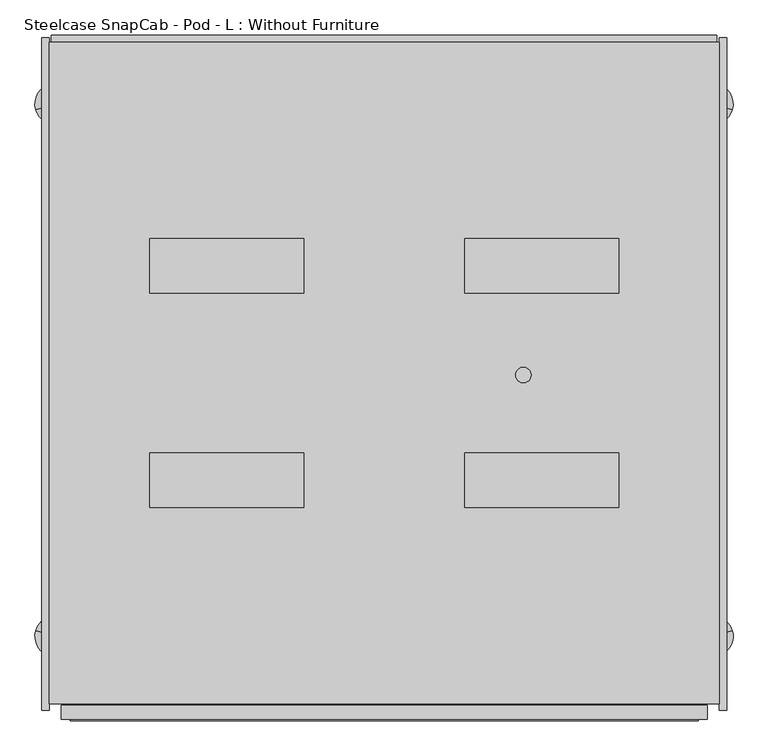
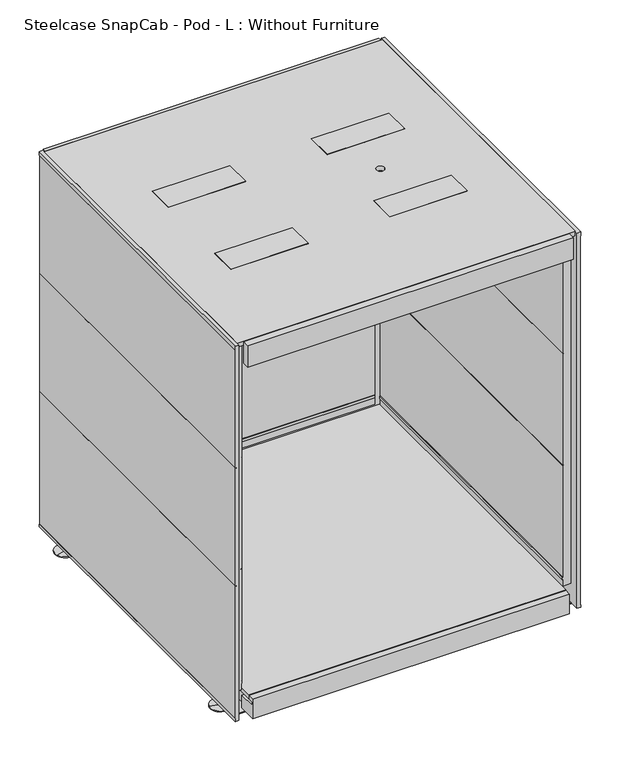
"""IFC4 building model written with IfcOpenShell, lengths in millimetres: furniture geometry, Steelcase SnapCab - Pod - L : Without Furniture."""

from ifc_helpers import new_model, si_unit, point, frame, frame_2d, origin, place, context, project, spatial, polyline, circle_curve, trimmed, segment, composite_curve, outline, extrude, faceted_brep, source, transform, mapped, element, save
from ifc_brep_helpers import plane_surface, cylinder_surface, advanced_brep


def steelcase_snapcab_pod_l_without_furniture_59e9726f(model_context):
    return source(origin(), model_context, "Body", "SolidModel", [
        advanced_brep(
        [(-700.0382392, -611.8219575, 4.7625), (-712.2462628, -615.3225519, 4.7625), (-712.2462628, -615.3225519, 34.29), (-700.0382392, -611.8219575, 34.29), (-651.2061451, -597.8195798, 4.7625), (-761.0783569, -629.3249295, 4.7625), (-651.2061451, -597.8195798, 0.0), (-761.0783569, -629.3249295, 0.0), (-706.142251, -613.5722547, 0.0), (-693.1934121, -609.8592349, 40.64), (-719.0910899, -617.2852745, 40.64), (-706.142251, -613.5722547, 40.64), (-693.1934121, -609.8592349, 34.29), (-719.0910899, -617.2852745, 34.29)],
        [
            (0, 1, circle_curve(frame((-706.142251, -613.5722547, 4.7625), z_axis=(0.0, 0.0, 1.0), x_axis=(-0.9612616959383218, -0.2756373558169893, 0.0)), 6.35)),
            (1, 2),
            (2, 3, circle_curve(frame((-706.142251, -613.5722547, 34.29), z_axis=(0.0, 0.0, -1.0), x_axis=(-0.9612616959383218, -0.2756373558169893, 0.0)), 6.35)),
            (3, 0),
            (1, 0, circle_curve(frame((-706.142251, -613.5722547, 4.7625), z_axis=(0.0, 0.0, 1.0), x_axis=(-0.9612616959383218, -0.2756373558169893, 0.0)), 6.35)),
            (3, 2, circle_curve(frame((-706.142251, -613.5722547, 34.29), z_axis=(0.0, 0.0, -1.0), x_axis=(-0.9612616959383218, -0.2756373558169893, 0.0)), 6.35)),
            (4, 5, circle_curve(frame((-706.142251, -613.5722547, 4.7625), z_axis=(0.0, 0.0, 1.0), x_axis=(-0.9612616959383218, -0.2756373558169893, 0.0)), 57.15)),
            (5, 1),
            (0, 4),
            (5, 4, circle_curve(frame((-706.142251, -613.5722547, 4.7625), z_axis=(0.0, 0.0, 1.0), x_axis=(-0.9612616959383218, -0.2756373558169893, 0.0)), 57.15)),
            (6, 7, circle_curve(frame((-706.142251, -613.5722547, 0.0), z_axis=(0.0, 0.0, 1.0), x_axis=(-0.9612616959383218, -0.2756373558169893, 0.0)), 57.15)),
            (7, 5),
            (4, 6),
            (7, 6, circle_curve(frame((-706.142251, -613.5722547, 0.0), z_axis=(0.0, 0.0, 1.0), x_axis=(-0.9612616959383218, -0.2756373558169893, 0.0)), 57.15)),
            (8, 7),
            (6, 8),
            (9, 10, circle_curve(frame((-706.142251, -613.5722547, 40.64), z_axis=(0.0, 0.0, 1.0), x_axis=(-0.9612616959383218, -0.2756373558169893, 0.0)), 13.4706698)),
            (10, 11),
            (11, 9),
            (10, 9, circle_curve(frame((-706.142251, -613.5722547, 40.64), z_axis=(0.0, 0.0, 1.0), x_axis=(-0.9612616959383218, -0.2756373558169893, 0.0)), 13.4706698)),
            (12, 13, circle_curve(frame((-706.142251, -613.5722547, 34.29), z_axis=(0.0, 0.0, 1.0), x_axis=(-0.9612616959383218, -0.2756373558169893, 0.0)), 13.4706698)),
            (13, 10),
            (9, 12),
            (13, 12, circle_curve(frame((-706.142251, -613.5722547, 34.29), z_axis=(0.0, 0.0, 1.0), x_axis=(-0.9612616959383218, -0.2756373558169893, 0.0)), 13.4706698)),
            (2, 13),
            (12, 3),
        ],
        [
            cylinder_surface(frame((-706.142251, -613.5722547, 40.64), z_axis=(0.0, 0.0, -1.0), x_axis=(-0.9612616959383218, -0.2756373558169893, 0.0)), 6.35),
            plane_surface(frame((-706.142251, -613.5722547, 4.7625), z_axis=(0.0, 0.0, 1.0000000000000002), x_axis=(-0.9612616959383218, -0.2756373558169893, 0.0))),
            cylinder_surface(frame((-706.142251, -613.5722547, 40.64), z_axis=(0.0, 0.0, -1.0), x_axis=(-0.9612616959383218, -0.2756373558169893, 0.0)), 57.15),
            plane_surface(frame((-706.142251, -613.5722547, 0.0), z_axis=(0.0, 0.0, -1.0000000000000002), x_axis=(-0.9612616959383218, -0.2756373558169893, 0.0))),
            plane_surface(frame((-706.142251, -613.5722547, 40.64), z_axis=(0.0, 0.0, 1.0000000000000002), x_axis=(-0.9612616959383218, -0.2756373558169893, 0.0))),
            cylinder_surface(frame((-706.142251, -613.5722547, 40.64), z_axis=(0.0, 0.0, -1.0), x_axis=(-0.9612616959383218, -0.2756373558169893, 0.0)), 13.4706698),
            plane_surface(frame((-706.142251, -613.5722547, 34.29), z_axis=(0.0, 0.0, -1.0000000000000002), x_axis=(-0.9612616959383218, -0.2756373558169893, 0.0))),
        ],
        [
            (0, [[1, 2, 3, 4]]),
            (0, [[5, -4, 6, -2]]),
            (1, [[7, 8, -1, 9]]),
            (1, [[10, -9, -5, -8]]),
            (2, [[11, 12, -7, 13]]),
            (2, [[14, -13, -10, -12]]),
            (3, [[15, -11, 16]]),
            (3, [[-16, -14, -15]]),
            (4, [[17, 18, 19]]),
            (4, [[20, -19, -18]]),
            (5, [[21, 22, -17, 23]]),
            (5, [[24, -23, -20, -22]]),
            (6, [[-3, 25, -21, 26]]),
            (6, [[-6, -26, -24, -25]]),
        ],
    ),
        extrude(outline(composite_curve([segment(trimmed(circle_curve(frame_2d((0.0, -50.7999999)), 50.8), [point((0.0, -101.6))], [point((0.0, 0.0))], False, "CARTESIAN"), True, "CONTINUOUS"), segment(trimmed(circle_curve(frame_2d((0.0, -50.7999999)), 50.8), [point((0.0, 0.0))], [point((0.0, -101.6))], False, "CARTESIAN"), True, "CONTINUOUS")], self_intersect=False)), frame((-522.3579472, -646.8925767, 50.5383466), z_axis=(-0.2756373558169893, 0.9612616959383218, 0.0), x_axis=(0.0, 0.0, 1.0)), (0.0, 0.0, 1.0), 48.5596563),
        extrude(outline(polyline([(-488.8953858, -644.2947727), (-571.1545852, -667.8822185), (-587.5864387, -610.5775352), (-505.3272394, -586.9900893), (-488.8953858, -644.2947727)])), frame((0.0, 0.0, 120.7725381), z_axis=(0.0, 0.0, 1.0), x_axis=(1.0, 0.0, 0.0)), (0.0, 0.0, 1.0), 14.3237119),
        extrude(outline(composite_curve([segment(polyline([(0.0, 0.0), (0.0, -15.2817497), (61.0726629, 15.7344817)]), True, "CONTINUOUS"), segment(trimmed(circle_curve(frame_2d((70.1269542, -2.0939149)), 19.9957975), [point((61.0726629, 15.7344817))], [point((86.5065526, -13.5630332))], False, "CARTESIAN"), True, "CONTINUOUS"), segment(polyline([(86.5065526, -13.5630332), (70.2341915, -36.8023732), (0.0, -70.9680965), (0.0, -85.5741986), (-14.3237119, -85.5741986), (-14.3237119, 0.0), (0.0, 0.0)]), True, "CONTINUOUS")], self_intersect=False)), frame((-587.5864387, -610.5775352, 120.7725381), z_axis=(-0.2756373558169833, 0.9612616959383234, 0.0), x_axis=(0.0, 0.0, -1.0)), (0.0, 0.0, 1.0), 7.5501565),
        extrude(outline(composite_curve([segment(polyline([(-15.2817497, 0.0), (0.0, 0.0), (-31.0162314, 61.0726629)]), True, "CONTINUOUS"), segment(trimmed(circle_curve(frame_2d((-13.1878348, 70.1269542)), 19.9957975), [point((-31.0162314, 61.0726629))], [point((-1.7187164, 86.5065526))], False, "CARTESIAN"), True, "CONTINUOUS"), segment(polyline([(-1.7187164, 86.5065526), (21.5206236, 70.2341915), (55.6863468, 0.0), (70.292449, 0.0), (70.292449, -14.3237119), (-15.2817497, -14.3237119), (-15.2817497, 0.0)]), True, "CONTINUOUS")], self_intersect=False)), frame((-554.3837194, -670.9276737, 120.7725381), z_axis=(-0.2756373558169892, 0.9612616959383218, 0.0), x_axis=(0.9612616959383218, 0.2756373558169892, 0.0)), (0.0, 0.0, 1.0), 7.5501565),
        extrude(outline(polyline([(-545.4237951, -552.2672111), (-464.1325226, -633.5584836), (-532.9854557, -702.4114168), (-614.2767282, -621.1201442), (-545.4237951, -552.2672111)])), frame((0.0, 0.0, 135.09625), z_axis=(0.0, 0.0, 1.0), x_axis=(1.0, 0.0, 0.0)), (0.0, 0.0, 1.0), 6.35),
        advanced_brep(
        [(1162.1625306, -611.8219575, 34.29), (1174.3705541, -615.3225519, 34.29), (1174.3705541, -615.3225519, 4.7625), (1162.1625306, -611.8219575, 4.7625), (1223.2026483, -629.3249295, 4.7625), (1113.3304364, -597.8195798, 4.7625), (1223.2026483, -629.3249295, 0.0), (1113.3304364, -597.8195798, 0.0), (1168.2665424, -613.5722547, 0.0), (1168.2665424, -613.5722547, 40.64), (1181.2153812, -617.2852745, 40.64), (1155.3177035, -609.8592349, 40.64), (1181.2153812, -617.2852745, 34.29), (1155.3177035, -609.8592349, 34.29)],
        [
            (0, 1, circle_curve(frame((1168.2665424, -613.5722547, 34.29), z_axis=(0.0, 0.0, -1.0), x_axis=(0.9612616959383162, -0.2756373558170087, 0.0)), 6.35)),
            (1, 2),
            (2, 3, circle_curve(frame((1168.2665424, -613.5722547, 4.7625), z_axis=(0.0, 0.0, 1.0), x_axis=(0.9612616959383162, -0.2756373558170087, 0.0)), 6.35)),
            (3, 0),
            (1, 0, circle_curve(frame((1168.2665424, -613.5722547, 34.29), z_axis=(0.0, 0.0, -1.0), x_axis=(0.9612616959383162, -0.2756373558170087, 0.0)), 6.35)),
            (3, 2, circle_curve(frame((1168.2665424, -613.5722547, 4.7625), z_axis=(0.0, 0.0, 1.0), x_axis=(0.9612616959383162, -0.2756373558170087, 0.0)), 6.35)),
            (2, 4),
            (4, 5, circle_curve(frame((1168.2665424, -613.5722547, 4.7625), z_axis=(0.0, 0.0, 1.0), x_axis=(0.9612616959383162, -0.2756373558170087, 0.0)), 57.15)),
            (5, 3),
            (5, 4, circle_curve(frame((1168.2665424, -613.5722547, 4.7625), z_axis=(0.0, 0.0, 1.0), x_axis=(0.9612616959383162, -0.2756373558170087, 0.0)), 57.15)),
            (4, 6),
            (6, 7, circle_curve(frame((1168.2665424, -613.5722547, 0.0), z_axis=(0.0, 0.0, 1.0), x_axis=(0.9612616959383162, -0.2756373558170087, 0.0)), 57.15)),
            (7, 5),
            (7, 6, circle_curve(frame((1168.2665424, -613.5722547, 0.0), z_axis=(0.0, 0.0, 1.0), x_axis=(0.9612616959383162, -0.2756373558170087, 0.0)), 57.15)),
            (6, 8),
            (8, 7),
            (9, 10),
            (10, 11, circle_curve(frame((1168.2665424, -613.5722547, 40.64), z_axis=(0.0, 0.0, 1.0), x_axis=(0.9612616959383162, -0.2756373558170087, 0.0)), 13.4706698)),
            (11, 9),
            (11, 10, circle_curve(frame((1168.2665424, -613.5722547, 40.64), z_axis=(0.0, 0.0, 1.0), x_axis=(0.9612616959383162, -0.2756373558170087, 0.0)), 13.4706698)),
            (10, 12),
            (12, 13, circle_curve(frame((1168.2665424, -613.5722547, 34.29), z_axis=(0.0, 0.0, 1.0), x_axis=(0.9612616959383162, -0.2756373558170087, 0.0)), 13.4706698)),
            (13, 11),
            (13, 12, circle_curve(frame((1168.2665424, -613.5722547, 34.29), z_axis=(0.0, 0.0, 1.0), x_axis=(0.9612616959383162, -0.2756373558170087, 0.0)), 13.4706698)),
            (12, 1),
            (0, 13),
        ],
        [
            cylinder_surface(frame((1168.2665424, -613.5722547, 40.64), z_axis=(0.0, 0.0, 1.0), x_axis=(0.9612616959383162, -0.2756373558170087, 0.0)), 6.35),
            plane_surface(frame((1168.2665424, -613.5722547, 4.7625), z_axis=(0.0, 0.0, 1.0000000000000002), x_axis=(0.9612616959383162, -0.2756373558170087, 0.0))),
            cylinder_surface(frame((1168.2665424, -613.5722547, 40.64), z_axis=(0.0, 0.0, 1.0), x_axis=(0.9612616959383162, -0.2756373558170087, 0.0)), 57.15),
            plane_surface(frame((1168.2665424, -613.5722547, 0.0), z_axis=(0.0, 0.0, -1.0000000000000002), x_axis=(0.9612616959383162, -0.2756373558170087, 0.0))),
            plane_surface(frame((1168.2665424, -613.5722547, 40.64), z_axis=(0.0, 0.0, 1.0000000000000002), x_axis=(0.9612616959383162, -0.2756373558170087, 0.0))),
            cylinder_surface(frame((1168.2665424, -613.5722547, 40.64), z_axis=(0.0, 0.0, 1.0), x_axis=(0.9612616959383162, -0.2756373558170087, 0.0)), 13.4706698),
            plane_surface(frame((1168.2665424, -613.5722547, 34.29), z_axis=(0.0, 0.0, -1.0000000000000002), x_axis=(0.9612616959383162, -0.2756373558170087, 0.0))),
        ],
        [
            (0, [[1, 2, 3, 4]]),
            (0, [[5, -4, 6, -2]]),
            (1, [[-3, 7, 8, 9]]),
            (1, [[-6, -9, 10, -7]]),
            (2, [[-8, 11, 12, 13]]),
            (2, [[-10, -13, 14, -11]]),
            (3, [[-12, 15, 16]]),
            (3, [[-14, -16, -15]]),
            (4, [[17, 18, 19]]),
            (4, [[-19, 20, -17]]),
            (5, [[-18, 21, 22, 23]]),
            (5, [[-20, -23, 24, -21]]),
            (6, [[-22, 25, -1, 26]]),
            (6, [[-24, -26, -5, -25]]),
        ],
    ),
        extrude(outline(composite_curve([segment(trimmed(circle_curve(frame_2d((0.0, -50.8)), 50.8), [point((0.0, -101.6000001))], [point((0.0, 0.0))], False, "CARTESIAN"), True, "CONTINUOUS"), segment(trimmed(circle_curve(frame_2d((0.0, -50.8)), 50.8), [point((0.0, 0.0))], [point((0.0, -101.6000001))], False, "CARTESIAN"), True, "CONTINUOUS")], self_intersect=False)), frame((984.4822385, -646.8925767, 50.5383466), z_axis=(0.27563735581700866, 0.9612616959383161, 0.0), x_axis=(0.0, 0.0, -1.0)), (0.0, 0.0, 1.0), 48.5596563),
        extrude(outline(polyline([(1033.2788766, -667.8822185), (951.0196772, -644.2947727), (967.4515307, -586.9900893), (1049.7107301, -610.5775352), (1033.2788766, -667.8822185)])), frame((0.0, 0.0, 120.7725381), z_axis=(0.0, 0.0, 1.0), x_axis=(1.0, 0.0, 0.0)), (0.0, 0.0, 1.0), 14.3237119),
        extrude(outline(composite_curve([segment(polyline([(15.2817497, 0.0), (15.2817497, -14.3237119), (-70.2924491, -14.3237119), (-70.2924491, 0.0), (-55.6863468, 0.0), (-21.5206237, 70.2341915), (1.7187165, 86.5065526)]), True, "CONTINUOUS"), segment(trimmed(circle_curve(frame_2d((13.1878348, 70.1269542)), 19.9957975), [point((1.7187165, 86.5065526))], [point((31.0162314, 61.0726629))], False, "CARTESIAN"), True, "CONTINUOUS"), segment(polyline([(31.0162314, 61.0726629), (0.0, 0.0), (15.2817497, 0.0)]), True, "CONTINUOUS")], self_intersect=False)), frame((1035.0209695, -606.3653141, 120.7725381), z_axis=(0.27563735581700277, 0.9612616959383179, 0.0), x_axis=(0.9612616959383179, -0.27563735581700277, 0.0)), (0.0, 0.0, 1.0), 7.5501565),
        extrude(outline(composite_curve([segment(polyline([(0.0, 0.0), (14.3237119, 0.0), (14.3237119, -85.5741987), (0.0, -85.5741987), (0.0, -70.9680965), (-70.2341915, -36.8023733), (-86.5065526, -13.5630332)]), True, "CONTINUOUS"), segment(trimmed(circle_curve(frame_2d((-70.1269542, -2.0939149)), 19.9957975), [point((-86.5065526, -13.5630332))], [point((-61.0726629, 15.7344817))], False, "CARTESIAN"), True, "CONTINUOUS"), segment(polyline([(-61.0726629, 15.7344817), (0.0, -15.2817497), (0.0, 0.0)]), True, "CONTINUOUS")], self_intersect=False)), frame((1031.1977714, -675.1398948, 120.7725381), z_axis=(0.2756373558170087, 0.9612616959383162, 0.0), x_axis=(0.0, 0.0, 1.0)), (0.0, 0.0, 1.0), 7.5501565),
        extrude(outline(polyline([(1007.5480865, -552.2672111), (1076.4010196, -621.1201442), (995.1097471, -702.4114168), (926.2568139, -633.5584836), (1007.5480865, -552.2672111)])), frame((0.0, 0.0, 135.09625), z_axis=(0.0, 0.0, 1.0), x_axis=(1.0, 0.0, 0.0)), (0.0, 0.0, 1.0), 6.35),
        advanced_brep(
        [(-700.0382392, -2132.0894853, 34.29), (-712.2462628, -2128.5888909, 34.29), (-712.2462628, -2128.5888909, 4.7625), (-700.0382392, -2132.0894853, 4.7625), (-761.0783569, -2114.5865132, 4.7625), (-651.2061451, -2146.091863, 4.7625), (-761.0783569, -2114.5865132, 0.0), (-651.2061451, -2146.091863, 0.0), (-706.142251, -2130.3391881, 0.0), (-706.142251, -2130.3391881, 40.64), (-719.0910899, -2126.6261683, 40.64), (-693.1934121, -2134.0522079, 40.64), (-719.0910899, -2126.6261683, 34.29), (-693.1934121, -2134.0522079, 34.29)],
        [
            (0, 1, circle_curve(frame((-706.142251, -2130.3391881, 34.29), z_axis=(0.0, 0.0, -1.0), x_axis=(-0.961261695938318, 0.27563735581700255, 0.0)), 6.35)),
            (1, 2),
            (2, 3, circle_curve(frame((-706.142251, -2130.3391881, 4.7625), z_axis=(0.0, 0.0, 1.0), x_axis=(-0.961261695938318, 0.27563735581700255, 0.0)), 6.35)),
            (3, 0),
            (1, 0, circle_curve(frame((-706.142251, -2130.3391881, 34.29), z_axis=(0.0, 0.0, -1.0), x_axis=(-0.961261695938318, 0.27563735581700255, 0.0)), 6.35)),
            (3, 2, circle_curve(frame((-706.142251, -2130.3391881, 4.7625), z_axis=(0.0, 0.0, 1.0), x_axis=(-0.961261695938318, 0.27563735581700255, 0.0)), 6.35)),
            (2, 4),
            (4, 5, circle_curve(frame((-706.142251, -2130.3391881, 4.7625), z_axis=(0.0, 0.0, 1.0), x_axis=(-0.961261695938318, 0.27563735581700255, 0.0)), 57.15)),
            (5, 3),
            (5, 4, circle_curve(frame((-706.142251, -2130.3391881, 4.7625), z_axis=(0.0, 0.0, 1.0), x_axis=(-0.961261695938318, 0.27563735581700255, 0.0)), 57.15)),
            (4, 6),
            (6, 7, circle_curve(frame((-706.142251, -2130.3391881, 0.0), z_axis=(0.0, 0.0, 1.0), x_axis=(-0.961261695938318, 0.27563735581700255, 0.0)), 57.15)),
            (7, 5),
            (7, 6, circle_curve(frame((-706.142251, -2130.3391881, 0.0), z_axis=(0.0, 0.0, 1.0), x_axis=(-0.961261695938318, 0.27563735581700255, 0.0)), 57.15)),
            (6, 8),
            (8, 7),
            (9, 10),
            (10, 11, circle_curve(frame((-706.142251, -2130.3391881, 40.64), z_axis=(0.0, 0.0, 1.0), x_axis=(-0.961261695938318, 0.27563735581700255, 0.0)), 13.4706698)),
            (11, 9),
            (11, 10, circle_curve(frame((-706.142251, -2130.3391881, 40.64), z_axis=(0.0, 0.0, 1.0), x_axis=(-0.961261695938318, 0.27563735581700255, 0.0)), 13.4706698)),
            (10, 12),
            (12, 13, circle_curve(frame((-706.142251, -2130.3391881, 34.29), z_axis=(0.0, 0.0, 1.0), x_axis=(-0.961261695938318, 0.27563735581700255, 0.0)), 13.4706698)),
            (13, 11),
            (13, 12, circle_curve(frame((-706.142251, -2130.3391881, 34.29), z_axis=(0.0, 0.0, 1.0), x_axis=(-0.961261695938318, 0.27563735581700255, 0.0)), 13.4706698)),
            (12, 1),
            (0, 13),
        ],
        [
            cylinder_surface(frame((-706.142251, -2130.3391881, 40.64), z_axis=(0.0, 0.0, 1.0), x_axis=(-0.961261695938318, 0.27563735581700255, 0.0)), 6.35),
            plane_surface(frame((-706.142251, -2130.3391881, 4.7625), z_axis=(0.0, 0.0, 1.0000000000000002), x_axis=(-0.961261695938318, 0.27563735581700255, 0.0))),
            cylinder_surface(frame((-706.142251, -2130.3391881, 40.64), z_axis=(0.0, 0.0, 1.0), x_axis=(-0.961261695938318, 0.27563735581700255, 0.0)), 57.15),
            plane_surface(frame((-706.142251, -2130.3391881, 0.0), z_axis=(0.0, 0.0, -1.0000000000000002), x_axis=(-0.961261695938318, 0.27563735581700255, 0.0))),
            plane_surface(frame((-706.142251, -2130.3391881, 40.64), z_axis=(0.0, 0.0, 1.0000000000000002), x_axis=(-0.961261695938318, 0.27563735581700255, 0.0))),
            cylinder_surface(frame((-706.142251, -2130.3391881, 40.64), z_axis=(0.0, 0.0, 1.0), x_axis=(-0.961261695938318, 0.27563735581700255, 0.0)), 13.4706698),
            plane_surface(frame((-706.142251, -2130.3391881, 34.29), z_axis=(0.0, 0.0, -1.0000000000000002), x_axis=(-0.961261695938318, 0.27563735581700255, 0.0))),
        ],
        [
            (0, [[1, 2, 3, 4]]),
            (0, [[5, -4, 6, -2]]),
            (1, [[-3, 7, 8, 9]]),
            (1, [[-6, -9, 10, -7]]),
            (2, [[-8, 11, 12, 13]]),
            (2, [[-10, -13, 14, -11]]),
            (3, [[-12, 15, 16]]),
            (3, [[-14, -16, -15]]),
            (4, [[17, 18, 19]]),
            (4, [[-19, 20, -17]]),
            (5, [[-18, 21, 22, 23]]),
            (5, [[-20, -23, 24, -21]]),
            (6, [[-22, 25, -1, 26]]),
            (6, [[-24, -26, -5, -25]]),
        ],
    ),
        extrude(outline(composite_curve([segment(trimmed(circle_curve(frame_2d((0.0, -50.8)), 50.8), [point((0.0, -101.6))], [point((0.0, 0.0))], False, "CARTESIAN"), True, "CONTINUOUS"), segment(trimmed(circle_curve(frame_2d((0.0, -50.8)), 50.8), [point((0.0, 0.0))], [point((0.0, -101.6))], False, "CARTESIAN"), True, "CONTINUOUS")], self_intersect=False)), frame((-535.7428024, -2143.6974036, 50.5383466), z_axis=(0.27563735581700255, 0.9612616959383179, 0.0), x_axis=(0.0, 0.0, 1.0)), (0.0, 0.0, 1.0), 48.5596563),
        extrude(outline(polyline([(-571.1545852, -2076.0292242), (-488.8953858, -2099.6166701), (-505.3272394, -2156.9213534), (-587.5864387, -2133.3339076), (-571.1545852, -2076.0292242)])), frame((0.0, 0.0, 120.7725381), z_axis=(0.0, 0.0, 1.0), x_axis=(1.0, 0.0, 0.0)), (0.0, 0.0, 1.0), 14.3237119),
        extrude(outline(composite_curve([segment(polyline([(-15.2817496, 0.0), (0.0, 0.0), (-31.0162314, 61.0726629)]), True, "CONTINUOUS"), segment(trimmed(circle_curve(frame_2d((-13.1878347, 70.1269542)), 19.9957975), [point((-31.0162314, 61.0726629))], [point((-1.7187164, 86.5065526))], False, "CARTESIAN"), True, "CONTINUOUS"), segment(polyline([(-1.7187164, 86.5065526), (21.5206237, 70.2341915), (55.6863468, 0.0), (70.2924491, 0.0), (70.2924491, -14.3237119), (-15.2817496, -14.3237119), (-15.2817496, 0.0)]), True, "CONTINUOUS")], self_intersect=False)), frame((-574.9777833, -2144.8038048, 120.7725381), z_axis=(0.27563735581699655, 0.9612616959383197, 0.0), x_axis=(0.9612616959383197, -0.27563735581699655, 0.0)), (0.0, 0.0, 1.0), 7.5501565),
        extrude(outline(composite_curve([segment(polyline([(0.0, 0.0), (0.0, -15.2817497), (61.0726629, 15.7344817)]), True, "CONTINUOUS"), segment(trimmed(circle_curve(frame_2d((70.1269542, -2.0939149)), 19.9957975), [point((61.0726629, 15.7344817))], [point((86.5065526, -13.5630332))], False, "CARTESIAN"), True, "CONTINUOUS"), segment(polyline([(86.5065526, -13.5630332), (70.2341915, -36.8023733), (0.0, -70.9680965), (0.0, -85.5741987), (-14.3237119, -85.5741987), (-14.3237119, 0.0), (0.0, 0.0)]), True, "CONTINUOUS")], self_intersect=False)), frame((-571.1545852, -2076.0292242, 120.7725381), z_axis=(0.27563735581700255, 0.961261695938318, 0.0), x_axis=(0.0, 0.0, -1.0)), (0.0, 0.0, 1.0), 7.5501565),
        extrude(outline(polyline([(-545.4237951, -2191.6442317), (-614.2767282, -2122.7912985), (-532.9854557, -2041.500026), (-464.1325226, -2110.3529591), (-545.4237951, -2191.6442317)])), frame((0.0, 0.0, 135.09625), z_axis=(0.0, 0.0, 1.0), x_axis=(1.0, 0.0, 0.0)), (0.0, 0.0, 1.0), 6.35),
        extrude(outline(polyline([(-418.7412617, 2257.90125), (-418.7412617, 1556.84855), (-422.0178617, 1556.84855), (-422.0178617, 1553.67355), (-418.7412617, 1553.67355), (-418.7412617, 852.62085), (-422.0178617, 852.62085), (-422.0178617, 849.44585), (-418.7412617, 849.44585), (-418.7412617, 62.04585), (-421.2050591, 62.04585), (-421.2050591, 58.83275), (-417.1664617, 58.83275), (-417.1664617, 43.688), (-438.1090336, 43.688), (-438.1090336, 2283.3645995), (-417.5220571, 2283.3645995), (-417.5220571, 2261.076251), (-420.6970581, 2261.076251), (-420.6970581, 2257.90125), (-418.7412617, 2257.90125)])), frame((-716.2042058, 0.0, 0.0), z_axis=(1.0, 0.0, 0.0), x_axis=(0.0, 1.0, 0.0)), (0.0, 0.0, 1.0), 1895.0887234),
        extrude(outline(polyline([(-488.3370236, 886.92025), (-488.3370236, 890.09525), (-491.5120236, 890.09525), (-491.5120236, 1553.67025), (-488.3370236, 1553.67025), (-488.3370236, 1556.84525), (-491.5120236, 1556.84525), (-491.5120236, 2257.90125), (-444.4466432, 2257.90125), (-444.4466432, 166.3810272), (-491.2580236, 166.3810272), (-491.2580236, 205.0255), (-493.2900236, 205.0255), (-493.2900236, 220.17025), (-489.5593986, 220.17025), (-489.5593986, 223.34525), (-491.5120236, 223.34525), (-491.5120236, 886.92025), (-488.3370236, 886.92025)])), frame((-649.1482058, 0.0, 0.0), z_axis=(1.0, 0.0, 0.0), x_axis=(0.0, 1.0, 0.0)), (0.0, 0.0, 1.0), 1761.998),
        extrude(outline(polyline([(2257.90125, 1205.3824703), (2257.90125, 1203.4266739), (2261.076251, 1203.4266739), (2261.076251, 1206.6016749), (2283.3645995, 1206.6016749), (2283.3645995, 1186.0146983), (43.688, 1186.0146983), (43.688, 1206.9572703), (58.83275, 1206.9572703), (58.83275, 1202.9186728), (62.04585, 1202.9186728), (62.04585, 1205.3824703), (849.44585, 1205.3824703), (849.44585, 1202.1058703), (852.62085, 1202.1058703), (852.62085, 1205.3824703), (1553.67355, 1205.3824703), (1553.67355, 1202.1058703), (1556.84855, 1202.1058703), (1556.84855, 1205.3824703), (2257.90125, 1205.3824703)])), frame((0.0, -2341.7852621, 0.0), z_axis=(0.0, 1.0, 0.0), x_axis=(0.0, 0.0, 1.0)), (0.0, 0.0, 1.0), 1916.2395),
        extrude(outline(polyline([(886.92025, 1134.9929583), (886.92025, 1131.8179583), (223.34525, 1131.8179583), (223.34525, 1133.7705833), (220.17025, 1133.7705833), (220.17025, 1130.0399583), (205.0255, 1130.0399583), (205.0255, 1132.0719583), (166.3810272, 1132.0719583), (166.3810272, 1178.8833387), (2257.90125, 1178.8833387), (2257.90125, 1131.8179583), (1556.84525, 1131.8179583), (1556.84525, 1134.9929583), (1553.67025, 1134.9929583), (1553.67025, 1131.8179583), (890.09525, 1131.8179583), (890.09525, 1134.9929583), (886.92025, 1134.9929583)])), frame((0.0, -2295.0822821, 0.0), z_axis=(0.0, 1.0, 0.0), x_axis=(0.0, 0.0, 1.0)), (0.0, 0.0, 1.0), 1783.68452),
        advanced_brep(
        [(1162.1625306, -2132.0894853, 4.7625), (1174.3705541, -2128.5888909, 4.7625), (1174.3705541, -2128.5888909, 34.29), (1162.1625306, -2132.0894853, 34.29), (1113.3304364, -2146.091863, 4.7625), (1223.2026483, -2114.5865132, 4.7625), (1113.3304364, -2146.091863, 0.0), (1223.2026483, -2114.5865132, 0.0), (1168.2665424, -2130.3391881, 0.0), (1155.3177035, -2134.0522079, 40.64), (1181.2153812, -2126.6261683, 40.64), (1168.2665424, -2130.3391881, 40.64), (1155.3177035, -2134.0522079, 34.29), (1181.2153812, -2126.6261683, 34.29)],
        [
            (0, 1, circle_curve(frame((1168.2665424, -2130.3391881, 4.7625), z_axis=(0.0, 0.0, 1.0), x_axis=(0.96126169593832, 0.27563735581699544, 0.0)), 6.35)),
            (1, 2),
            (2, 3, circle_curve(frame((1168.2665424, -2130.3391881, 34.29), z_axis=(0.0, 0.0, -1.0), x_axis=(0.96126169593832, 0.27563735581699544, 0.0)), 6.35)),
            (3, 0),
            (1, 0, circle_curve(frame((1168.2665424, -2130.3391881, 4.7625), z_axis=(0.0, 0.0, 1.0), x_axis=(0.96126169593832, 0.27563735581699544, 0.0)), 6.35)),
            (3, 2, circle_curve(frame((1168.2665424, -2130.3391881, 34.29), z_axis=(0.0, 0.0, -1.0), x_axis=(0.96126169593832, 0.27563735581699544, 0.0)), 6.35)),
            (4, 5, circle_curve(frame((1168.2665424, -2130.3391881, 4.7625), z_axis=(0.0, 0.0, 1.0), x_axis=(0.96126169593832, 0.27563735581699544, 0.0)), 57.15)),
            (5, 1),
            (0, 4),
            (5, 4, circle_curve(frame((1168.2665424, -2130.3391881, 4.7625), z_axis=(0.0, 0.0, 1.0), x_axis=(0.96126169593832, 0.27563735581699544, 0.0)), 57.15)),
            (6, 7, circle_curve(frame((1168.2665424, -2130.3391881, 0.0), z_axis=(0.0, 0.0, 1.0), x_axis=(0.96126169593832, 0.27563735581699544, 0.0)), 57.15)),
            (7, 5),
            (4, 6),
            (7, 6, circle_curve(frame((1168.2665424, -2130.3391881, 0.0), z_axis=(0.0, 0.0, 1.0), x_axis=(0.96126169593832, 0.27563735581699544, 0.0)), 57.15)),
            (8, 7),
            (6, 8),
            (9, 10, circle_curve(frame((1168.2665424, -2130.3391881, 40.64), z_axis=(0.0, 0.0, 1.0), x_axis=(0.96126169593832, 0.27563735581699544, 0.0)), 13.4706698)),
            (10, 11),
            (11, 9),
            (10, 9, circle_curve(frame((1168.2665424, -2130.3391881, 40.64), z_axis=(0.0, 0.0, 1.0), x_axis=(0.96126169593832, 0.27563735581699544, 0.0)), 13.4706698)),
            (12, 13, circle_curve(frame((1168.2665424, -2130.3391881, 34.29), z_axis=(0.0, 0.0, 1.0), x_axis=(0.96126169593832, 0.27563735581699544, 0.0)), 13.4706698)),
            (13, 10),
            (9, 12),
            (13, 12, circle_curve(frame((1168.2665424, -2130.3391881, 34.29), z_axis=(0.0, 0.0, 1.0), x_axis=(0.96126169593832, 0.27563735581699544, 0.0)), 13.4706698)),
            (2, 13),
            (12, 3),
        ],
        [
            cylinder_surface(frame((1168.2665424, -2130.3391881, 40.64), z_axis=(0.0, 0.0, -1.0), x_axis=(0.96126169593832, 0.27563735581699544, 0.0)), 6.35),
            plane_surface(frame((1168.2665424, -2130.3391881, 4.7625), z_axis=(0.0, 0.0, 1.0), x_axis=(0.96126169593832, 0.27563735581699544, 0.0))),
            cylinder_surface(frame((1168.2665424, -2130.3391881, 40.64), z_axis=(0.0, 0.0, -1.0), x_axis=(0.96126169593832, 0.27563735581699544, 0.0)), 57.15),
            plane_surface(frame((1168.2665424, -2130.3391881, 0.0), z_axis=(0.0, 0.0, -1.0), x_axis=(0.96126169593832, 0.27563735581699544, 0.0))),
            plane_surface(frame((1168.2665424, -2130.3391881, 40.64), z_axis=(0.0, 0.0, 1.0), x_axis=(0.96126169593832, 0.27563735581699544, 0.0))),
            cylinder_surface(frame((1168.2665424, -2130.3391881, 40.64), z_axis=(0.0, 0.0, -1.0), x_axis=(0.96126169593832, 0.27563735581699544, 0.0)), 13.4706698),
            plane_surface(frame((1168.2665424, -2130.3391881, 34.29), z_axis=(0.0, 0.0, -1.0), x_axis=(0.96126169593832, 0.27563735581699544, 0.0))),
        ],
        [
            (0, [[1, 2, 3, 4]]),
            (0, [[5, -4, 6, -2]]),
            (1, [[7, 8, -1, 9]]),
            (1, [[10, -9, -5, -8]]),
            (2, [[11, 12, -7, 13]]),
            (2, [[14, -13, -10, -12]]),
            (3, [[15, -11, 16]]),
            (3, [[-16, -14, -15]]),
            (4, [[17, 18, 19]]),
            (4, [[20, -19, -18]]),
            (5, [[21, 22, -17, 23]]),
            (5, [[24, -23, -20, -22]]),
            (6, [[-3, 25, -21, 26]]),
            (6, [[-6, -26, -24, -25]]),
        ],
    ),
        extrude(outline(composite_curve([segment(trimmed(circle_curve(frame_2d((0.0, -50.8)), 50.8), [point((0.0, -101.6))], [point((0.0, 0.0))], False, "CARTESIAN"), True, "CONTINUOUS"), segment(trimmed(circle_curve(frame_2d((0.0, -50.8)), 50.8), [point((0.0, 0.0))], [point((0.0, -101.6))], False, "CARTESIAN"), True, "CONTINUOUS")], self_intersect=False)), frame((997.8670938, -2143.6974036, 50.5383466), z_axis=(-0.2756373558169955, 0.96126169593832, 0.0), x_axis=(0.0, 0.0, -1.0)), (0.0, 0.0, 1.0), 48.5596563),
        extrude(outline(polyline([(951.0196772, -2099.6166701), (1033.2788766, -2076.0292242), (1049.7107301, -2133.3339076), (967.4515307, -2156.9213534), (951.0196772, -2099.6166701)])), frame((0.0, 0.0, 120.7725381), z_axis=(0.0, 0.0, 1.0), x_axis=(1.0, 0.0, 0.0)), (0.0, 0.0, 1.0), 14.3237119),
        extrude(outline(composite_curve([segment(polyline([(0.0, 0.0), (14.3237119, 0.0), (14.3237119, -85.5741987), (0.0, -85.5741987), (0.0, -70.9680966), (-70.2341915, -36.8023733), (-86.5065526, -13.5630332)]), True, "CONTINUOUS"), segment(trimmed(circle_curve(frame_2d((-70.1269542, -2.093915)), 19.9957975), [point((-86.5065526, -13.5630332))], [point((-61.0726629, 15.7344818))], False, "CARTESIAN"), True, "CONTINUOUS"), segment(polyline([(-61.0726629, 15.7344818), (0.0, -15.2817496), (0.0, 0.0)]), True, "CONTINUOUS")], self_intersect=False)), frame((1051.7918353, -2140.5915838, 120.7725381), z_axis=(-0.27563735581698945, 0.9612616959383217, 0.0), x_axis=(0.0, 0.0, 1.0)), (0.0, 0.0, 1.0), 7.5501565),
        extrude(outline(composite_curve([segment(polyline([(15.2817497, 0.0), (15.2817497, -14.3237119), (-70.2924491, -14.3237119), (-70.2924491, 0.0), (-55.6863469, 0.0), (-21.5206237, 70.2341915), (1.7187165, 86.5065526)]), True, "CONTINUOUS"), segment(trimmed(circle_curve(frame_2d((13.1878347, 70.1269542)), 19.9957975), [point((1.7187165, 86.5065526))], [point((31.0162314, 61.0726629))], False, "CARTESIAN"), True, "CONTINUOUS"), segment(polyline([(31.0162314, 61.0726629), (0.0, 0.0), (15.2817497, 0.0)]), True, "CONTINUOUS")], self_intersect=False)), frame((1018.589116, -2080.2414453, 120.7725381), z_axis=(-0.27563735581699544, 0.96126169593832, 0.0), x_axis=(0.96126169593832, 0.27563735581699544, 0.0)), (0.0, 0.0, 1.0), 7.5501565),
        extrude(outline(polyline([(1007.5480865, -2191.6442317), (926.2568139, -2110.3529591), (995.1097471, -2041.500026), (1076.4010196, -2122.7912985), (1007.5480865, -2191.6442317)])), frame((0.0, 0.0, 135.09625), z_axis=(0.0, 0.0, 1.0), x_axis=(1.0, 0.0, 0.0)), (0.0, 0.0, 1.0), 6.35),
        extrude(outline(polyline([(-633.6537297, -2212.5322821), (-633.6537297, -526.3507421), (1097.1017942, -526.3507421), (1097.1017942, -2212.5322821), (-633.6537297, -2212.5322821)])), frame((0.0, 0.0, 2173.3978271), z_axis=(0.0, 0.0, 1.0), x_axis=(1.0, 0.0, 0.0)), (0.0, 0.0, 1.0), 84.5034229),
        extrude(outline(composite_curve([segment(trimmed(circle_curve(frame_2d((269.4428297, -2157.8492858)), 12.192), [point((281.6348297, -2157.8492858))], [point((257.2508297, -2157.8492858))], False, "CARTESIAN"), True, "CONTINUOUS"), segment(trimmed(circle_curve(frame_2d((269.4428297, -2157.8492858)), 12.192), [point((257.2508297, -2157.8492858))], [point((281.6348297, -2157.8492858))], False, "CARTESIAN"), True, "CONTINUOUS")], self_intersect=False)), frame((0.0, 0.0, 2149.7450386), z_axis=(0.0, 0.0, 1.0), x_axis=(1.0, 0.0, 0.0)), (0.0, 0.0, 1.0), 16.4305),
        extrude(outline(composite_curve([segment(trimmed(circle_curve(frame_2d((231.3428297, -2157.8492858)), 12.192), [point((243.5348297, -2157.8492858))], [point((219.1508297, -2157.8492858))], False, "CARTESIAN"), True, "CONTINUOUS"), segment(trimmed(circle_curve(frame_2d((231.3428297, -2157.8492858)), 12.192), [point((219.1508297, -2157.8492858))], [point((243.5348297, -2157.8492858))], False, "CARTESIAN"), True, "CONTINUOUS")], self_intersect=False)), frame((0.0, 0.0, 2149.7450386), z_axis=(0.0, 0.0, 1.0), x_axis=(1.0, 0.0, 0.0)), (0.0, 0.0, 1.0), 16.4305),
        extrude(outline(composite_curve([segment(trimmed(circle_curve(frame_2d((193.2428297, -2157.8492858)), 12.192), [point((205.4348297, -2157.8492858))], [point((181.0508297, -2157.8492858))], False, "CARTESIAN"), True, "CONTINUOUS"), segment(trimmed(circle_curve(frame_2d((193.2428297, -2157.8492858)), 12.192), [point((181.0508297, -2157.8492858))], [point((205.4348297, -2157.8492858))], False, "CARTESIAN"), True, "CONTINUOUS")], self_intersect=False)), frame((0.0, 0.0, 2149.7450386), z_axis=(0.0, 0.0, 1.0), x_axis=(1.0, 0.0, 0.0)), (0.0, 0.0, 1.0), 16.4305),
        extrude(outline(polyline([(1058.5004046, -2212.5322821), (532.5172046, -2212.5322821), (532.5172046, -565.5057214), (1058.5004046, -565.5057214), (1058.5004046, -2212.5322821)])), frame((0.0, 0.0, 2168.0804759), z_axis=(0.0, 0.0, 1.0), x_axis=(1.0, 0.0, 0.0)), (0.0, 0.0, 1.0), 5.3173512),
        extrude(outline(polyline([(494.4172046, -565.5057214), (494.4172046, -2212.5322821), (-32.1004543, -2212.5322821), (-32.1004543, -565.5057214), (494.4172046, -565.5057214)])), frame((0.0, 0.0, 2168.0804759), z_axis=(0.0, 0.0, 1.0), x_axis=(1.0, 0.0, 0.0)), (0.0, 0.0, 1.0), 5.3173512),
        extrude(outline(polyline([(-595.675721, -2212.5322821), (-595.675721, -565.5057214), (-69.184521, -565.5057214), (-69.184521, -2212.5322821), (-595.675721, -2212.5322821)])), frame((0.0, 0.0, 2168.0804759), z_axis=(0.0, 0.0, 1.0), x_axis=(1.0, 0.0, 0.0)), (0.0, 0.0, 1.0), 5.3173512),
        extrude(outline(polyline([(461.4773775, -1763.7619078), (461.4773775, -1608.9806578), (899.6273775, -1608.9806578), (899.6273775, -1763.7619078), (461.4773775, -1763.7619078)])), frame((0.0, 0.0, 2283.968), z_axis=(0.0, 0.0, 1.0), x_axis=(1.0, 0.0, 0.0)), (0.0, 0.0, 1.0), 1.5875),
        extrude(outline(polyline([(-436.2538725, -1763.7619078), (-436.2538725, -1608.9806578), (1.8961275, -1608.9806578), (1.8961275, -1763.7619078), (-436.2538725, -1763.7619078)])), frame((0.0, 0.0, 2283.968), z_axis=(0.0, 0.0, 1.0), x_axis=(1.0, 0.0, 0.0)), (0.0, 0.0, 1.0), 1.5875),
        extrude(outline(polyline([(-436.2538725, -1152.5744078), (-436.2538725, -997.7931578), (1.8961275, -997.7931578), (1.8961275, -1152.5744078), (-436.2538725, -1152.5744078)])), frame((0.0, 0.0, 2283.968), z_axis=(0.0, 0.0, 1.0), x_axis=(1.0, 0.0, 0.0)), (0.0, 0.0, 1.0), 1.5875),
        extrude(outline(polyline([(461.4773775, -1152.5744078), (461.4773775, -997.7931578), (899.6273775, -997.7931578), (899.6273775, -1152.5744078), (461.4773775, -1152.5744078)])), frame((0.0, 0.0, 2283.968), z_axis=(0.0, 0.0, 1.0), x_axis=(1.0, 0.0, 0.0)), (0.0, 0.0, 1.0), 1.5875),
        extrude(outline(polyline([(1185.8752703, -2323.7525328), (-722.4272058, -2323.7525328), (-722.4272058, -438.3727621), (1185.8752703, -438.3727621), (1185.8752703, -2323.7525328)]), holes=[composite_curve([segment(trimmed(circle_curve(frame_2d((627.8838349, -1386.5406947)), 22.098), [point((649.9818349, -1386.5406947))], [point((605.7858349, -1386.5406947))], True, "CARTESIAN"), True, "CONTINUOUS"), segment(trimmed(circle_curve(frame_2d((627.8838349, -1386.5406947)), 22.098), [point((605.7858349, -1386.5406947))], [point((649.9818349, -1386.5406947))], True, "CARTESIAN"), True, "CONTINUOUS")], self_intersect=False)]), frame((0.0, 0.0, 2257.90125), z_axis=(0.0, 0.0, 1.0), x_axis=(1.0, 0.0, 0.0)), (0.0, 0.0, 1.0), 26.06675),
        extrude(outline(polyline([(2257.90125, -741.9344058), (1556.84855, -741.9344058), (1556.84855, -738.6578058), (1553.67355, -738.6578058), (1553.67355, -741.9344058), (852.62085, -741.9344058), (852.62085, -738.6578058), (849.44585, -738.6578058), (849.44585, -741.9344058), (62.04585, -741.9344058), (62.04585, -739.4706084), (58.83275, -739.4706084), (58.83275, -743.5092058), (43.688, -743.5092058), (43.688, -722.5666339), (2283.3645995, -722.5666339), (2283.3645995, -743.1536105), (2261.076251, -743.1536105), (2261.076251, -739.9786094), (2257.90125, -739.9786094), (2257.90125, -741.9344058)])), frame((0.0, -2341.7852621, 0.0), z_axis=(0.0, 1.0, 0.0), x_axis=(0.0, 0.0, 1.0)), (0.0, 0.0, 1.0), 1916.2395),
        extrude(outline(polyline([(886.92025, -671.5448939), (890.09525, -671.5448939), (890.09525, -668.3698939), (1553.67025, -668.3698939), (1553.67025, -671.5448939), (1556.84525, -671.5448939), (1556.84525, -668.3698939), (2257.90125, -668.3698939), (2257.90125, -715.4352743), (166.3810272, -715.4352743), (166.3810272, -668.6238939), (205.0255, -668.6238939), (205.0255, -666.5918939), (220.17025, -666.5918939), (220.17025, -670.3225189), (223.34525, -670.3225189), (223.34525, -668.3698939), (886.92025, -668.3698939), (886.92025, -671.5448939)])), frame((0.0, -2273.3957621, 0.0), z_axis=(0.0, 1.0, 0.0), x_axis=(0.0, 0.0, 1.0)), (0.0, 0.0, 1.0), 1761.998),
        extrude(outline(polyline([(1151.4580322, -2327.4418829), (1151.4580322, -2367.3452829), (-688.0099678, -2367.3452829), (-688.0099678, -2327.4418829), (1151.4580322, -2327.4418829)])), frame((0.0, 0.0, 2155.2853241), z_axis=(0.0, 0.0, 1.0), x_axis=(1.0, 0.0, 0.0)), (0.0, 0.0, 1.0), 127.7843018),
        extrude(outline(polyline([(-662.6099678, -2333.7918829), (-662.6099678, -511.3977621), (1126.0580322, -511.3977621), (1126.0580322, -2333.7918829), (-662.6099678, -2333.7918829)])), frame((0.0, 0.0, 145.288), z_axis=(0.0, 0.0, 1.0), x_axis=(1.0, 0.0, 0.0)), (0.0, 0.0, 1.0), 26.4),
        faceted_brep([(-662.6099678, -2266.3802821, 50.5383466), (-662.6099678, -2266.3802821, 126.38075), (1126.0580322, -2266.3802821, 126.38075), (1126.0580322, -2266.3802821, 50.5383466), (-662.6099678, -2371.6950328, 50.5383466), (1126.0580322, -2371.6950328, 50.5383466), (-662.6099678, -2366.2192807, 126.38075), (-466.3830438, -2366.2192807, 126.38075), (-466.3830438, -2333.5360864, 126.38075), (928.6997942, -2333.5360864, 126.38075), (928.6997942, -2366.2192807, 126.38075), (1126.0580322, -2366.2192807, 126.38075), (1126.0580322, -2366.2192807, 145.288), (928.6997942, -2366.2192807, 145.288), (928.6997942, -2333.5360864, 145.288), (1126.0580322, -2333.5360864, 145.288), (-466.3830438, -2333.5360864, 145.288), (-466.3830438, -2366.2192807, 145.288), (-662.6099678, -2366.2192807, 145.288), (-662.6099678, -2333.5360864, 145.288), (-662.6099678, -2371.6950328, 166.3810272), (-662.6099678, -2333.5360864, 166.3810272), (1126.0580322, -2333.5360864, 166.3810272), (1126.0580322, -2371.6950328, 166.3810272)], [[[0, 1, 2, 3]], [[4, 0, 3, 5]], [[2, 1, 6, 7, 8, 9, 10, 11]], [[12, 13, 14, 15]], [[16, 17, 18, 19]], [[14, 13, 10, 9]], [[13, 12, 11, 10]], [[18, 17, 7, 6]], [[17, 16, 8, 7]], [[20, 21, 19, 18, 6, 1, 0, 4]], [[22, 23, 5, 3, 2, 11, 12, 15]], [[21, 22, 15, 14, 9, 8, 16, 19]], [[20, 4, 5, 23]], [[21, 20, 23, 22]]]),
        faceted_brep([(1100.1497942, -2044.1302821, 145.288), (928.6997942, -2044.1302821, 145.288), (928.6997942, -2264.2636807, 145.288), (1100.1497942, -2264.2636807, 145.288), (998.5497942, -2295.0822821, 43.688), (928.6997942, -2295.0822821, 43.688), (928.6997942, -2212.5322821, 43.688), (1097.1017942, -2212.5322821, 43.688), (1097.1017942, -2044.1302821, 43.688), (1179.6517942, -2044.1302821, 43.688), (1179.6517942, -2113.9802821, 43.688), (1198.7017942, -2113.9802821, 43.688), (1198.7017942, -2145.7302821, 43.688), (1179.6517942, -2145.7302821, 43.688), (1179.6517942, -2295.0822821, 43.688), (1030.2997942, -2295.0822821, 43.688), (1030.2997942, -2314.1322821, 43.688), (998.5497942, -2314.1322821, 43.688), (998.5497942, -2314.1322821, 50.5383466), (998.5497942, -2295.0822821, 50.5383466), (1030.2997942, -2314.1322821, 50.5383466), (1030.2997942, -2295.0822821, 50.5383466), (1179.6517942, -2295.0822821, 50.5383466), (1179.6517942, -2145.7302821, 50.5383466), (1198.7017942, -2145.7302821, 50.5383466), (1198.7017942, -2113.9802821, 50.5383466), (1179.6517942, -2113.9802821, 50.5383466), (1179.6517942, -2044.1302821, 50.5383466), (1097.1017942, -2044.1302821, 141.44625), (928.6997942, -2044.1302821, 141.44625), (1100.1497942, -2044.1302821, 50.5383466), (928.6997942, -2295.0822821, 50.5383466), (928.6997942, -2264.2636807, 50.5383466), (928.6997942, -2212.5322821, 141.44625), (1097.1017942, -2212.5322821, 141.44625), (1100.1497942, -2264.2636807, 50.5383466)], [[[0, 1, 2, 3]], [[4, 5, 6, 7, 8, 9, 10, 11, 12, 13, 14, 15, 16, 17]], [[4, 17, 18, 19]], [[17, 16, 20, 18]], [[16, 15, 21, 20]], [[15, 14, 22, 21]], [[14, 13, 23, 22]], [[13, 12, 24, 23]], [[12, 11, 25, 24]], [[11, 10, 26, 25]], [[10, 9, 27, 26]], [[9, 8, 28, 29, 1, 0, 30, 27]], [[6, 5, 31, 32, 2, 1, 29, 33]], [[5, 4, 19, 31]], [[28, 34, 33, 29]], [[33, 34, 7, 6]], [[34, 28, 8, 7]], [[35, 32, 31, 19, 18, 20, 21, 22, 23, 24, 25, 26, 27, 30]], [[32, 35, 3, 2]], [[35, 30, 0, 3]]]),
        faceted_brep([(-466.3830438, -2264.2636807, 145.288), (-466.3830438, -2044.1302821, 145.288), (-637.8330438, -2044.1302821, 145.288), (-637.8330438, -2264.2636807, 145.288), (-536.2330438, -2295.0822821, 43.688), (-536.2330438, -2314.1322821, 43.688), (-567.9830438, -2314.1322821, 43.688), (-567.9830438, -2295.0822821, 43.688), (-717.3350438, -2295.0822821, 43.688), (-717.3350438, -2145.7302821, 43.688), (-736.3850438, -2145.7302821, 43.688), (-736.3850438, -2113.9802821, 43.688), (-717.3350438, -2113.9802821, 43.688), (-717.3350438, -2044.1302821, 43.688), (-633.6537297, -2044.1302821, 43.688), (-633.6537297, -2212.5322821, 43.688), (-466.3830438, -2212.5322821, 43.688), (-466.3830438, -2295.0822821, 43.688), (-466.3830438, -2295.0822821, 50.5383466), (-536.2330438, -2295.0822821, 50.5383466), (-466.3830438, -2212.5322821, 141.44625), (-466.3830438, -2044.1302821, 141.44625), (-466.3830438, -2264.2636807, 50.5383466), (-717.3350438, -2044.1302821, 50.5383466), (-637.8330438, -2044.1302821, 50.5383466), (-633.6537297, -2044.1302821, 141.44625), (-717.3350438, -2113.9802821, 50.5383466), (-736.3850438, -2113.9802821, 50.5383466), (-736.3850438, -2145.7302821, 50.5383466), (-717.3350438, -2145.7302821, 50.5383466), (-717.3350438, -2295.0822821, 50.5383466), (-567.9830438, -2295.0822821, 50.5383466), (-567.9830438, -2314.1322821, 50.5383466), (-536.2330438, -2314.1322821, 50.5383466), (-633.6537297, -2212.5322821, 141.44625), (-637.8330438, -2264.2636807, 50.5383466)], [[[0, 1, 2, 3]], [[4, 5, 6, 7, 8, 9, 10, 11, 12, 13, 14, 15, 16, 17]], [[4, 17, 18, 19]], [[17, 16, 20, 21, 1, 0, 22, 18]], [[14, 13, 23, 24, 2, 1, 21, 25]], [[13, 12, 26, 23]], [[12, 11, 27, 26]], [[11, 10, 28, 27]], [[10, 9, 29, 28]], [[9, 8, 30, 29]], [[8, 7, 31, 30]], [[7, 6, 32, 31]], [[6, 5, 33, 32]], [[5, 4, 19, 33]], [[20, 34, 25, 21]], [[25, 34, 15, 14]], [[34, 20, 16, 15]], [[35, 24, 23, 26, 27, 28, 29, 30, 31, 32, 33, 19, 18, 22]], [[24, 35, 3, 2]], [[35, 22, 0, 3]]]),
        faceted_brep([(928.6997942, -524.0977621, 145.288), (928.6997942, -696.6061607, 145.288), (1100.1497942, -696.6061607, 145.288), (1100.1497942, -524.0977621, 145.288), (998.5497942, -445.6541607, 43.688), (998.5497942, -426.6041607, 43.688), (1030.2997942, -426.6041607, 43.688), (1030.2997942, -445.6541607, 43.688), (1179.6517942, -445.6541607, 43.688), (1179.6517942, -595.0061607, 43.688), (1198.7017942, -595.0061607, 43.688), (1198.7017942, -626.7561607, 43.688), (1179.6517942, -626.7561607, 43.688), (1179.6517942, -696.6061607, 43.688), (1097.1017942, -696.6061607, 43.688), (1097.1017942, -526.3507421, 43.688), (928.6997942, -526.3507421, 43.688), (928.6997942, -445.6541607, 43.688), (928.6997942, -445.6541607, 50.5383466), (998.5497942, -445.6541607, 50.5383466), (928.6997942, -526.3507421, 141.44625), (928.6997942, -696.6061607, 141.44625), (928.6997942, -524.0977621, 50.5383466), (1179.6517942, -696.6061607, 50.5383466), (1100.1497942, -696.6061607, 50.5383466), (1097.1017942, -696.6061607, 141.44625), (1179.6517942, -626.7561607, 50.5383466), (1198.7017942, -626.7561607, 50.5383466), (1198.7017942, -595.0061607, 50.5383466), (1179.6517942, -595.0061607, 50.5383466), (1179.6517942, -445.6541607, 50.5383466), (1030.2997942, -445.6541607, 50.5383466), (1030.2997942, -426.6041607, 50.5383466), (998.5497942, -426.6041607, 50.5383466), (1097.1017942, -526.3507421, 141.44625), (1100.1497942, -524.0977621, 50.5383466)], [[[0, 1, 2, 3]], [[4, 5, 6, 7, 8, 9, 10, 11, 12, 13, 14, 15, 16, 17]], [[4, 17, 18, 19]], [[17, 16, 20, 21, 1, 0, 22, 18]], [[14, 13, 23, 24, 2, 1, 21, 25]], [[13, 12, 26, 23]], [[12, 11, 27, 26]], [[11, 10, 28, 27]], [[10, 9, 29, 28]], [[9, 8, 30, 29]], [[8, 7, 31, 30]], [[7, 6, 32, 31]], [[6, 5, 33, 32]], [[5, 4, 19, 33]], [[20, 34, 25, 21]], [[25, 34, 15, 14]], [[34, 20, 16, 15]], [[35, 24, 23, 26, 27, 28, 29, 30, 31, 32, 33, 19, 18, 22]], [[24, 35, 3, 2]], [[35, 22, 0, 3]]]),
        faceted_brep([(-637.8330438, -696.6061607, 145.288), (-466.3830438, -696.6061607, 145.288), (-466.3830438, -524.0977621, 145.288), (-637.8330438, -524.0977621, 145.288), (-536.2330438, -445.6541607, 43.688), (-466.3830438, -445.6541607, 43.688), (-466.3830438, -526.3507421, 43.688), (-633.6537297, -526.3507421, 43.688), (-633.6537297, -696.6061607, 43.688), (-717.3350438, -696.6061607, 43.688), (-717.3350438, -626.7561607, 43.688), (-736.3850438, -626.7561607, 43.688), (-736.3850438, -595.0061607, 43.688), (-717.3350438, -595.0061607, 43.688), (-717.3350438, -445.6541607, 43.688), (-567.9830438, -445.6541607, 43.688), (-567.9830438, -426.6041607, 43.688), (-536.2330438, -426.6041607, 43.688), (-536.2330438, -426.6041607, 50.5383466), (-536.2330438, -445.6541607, 50.5383466), (-567.9830438, -426.6041607, 50.5383466), (-567.9830438, -445.6541607, 50.5383466), (-717.3350438, -445.6541607, 50.5383466), (-717.3350438, -595.0061607, 50.5383466), (-736.3850438, -595.0061607, 50.5383466), (-736.3850438, -626.7561607, 50.5383466), (-717.3350438, -626.7561607, 50.5383466), (-717.3350438, -696.6061607, 50.5383466), (-633.6537297, -696.6061607, 141.44625), (-466.3830438, -696.6061607, 141.44625), (-637.8330438, -696.6061607, 50.5383466), (-466.3830438, -445.6541607, 50.5383466), (-466.3830438, -524.0977621, 50.5383466), (-466.3830438, -526.3507421, 141.44625), (-633.6537297, -526.3507421, 141.44625), (-637.8330438, -524.0977621, 50.5383466)], [[[0, 1, 2, 3]], [[4, 5, 6, 7, 8, 9, 10, 11, 12, 13, 14, 15, 16, 17]], [[4, 17, 18, 19]], [[17, 16, 20, 18]], [[16, 15, 21, 20]], [[15, 14, 22, 21]], [[14, 13, 23, 22]], [[13, 12, 24, 23]], [[12, 11, 25, 24]], [[11, 10, 26, 25]], [[10, 9, 27, 26]], [[9, 8, 28, 29, 1, 0, 30, 27]], [[6, 5, 31, 32, 2, 1, 29, 33]], [[5, 4, 19, 31]], [[28, 34, 33, 29]], [[33, 34, 7, 6]], [[34, 28, 8, 7]], [[35, 32, 31, 19, 18, 20, 21, 22, 23, 24, 25, 26, 27, 30]], [[32, 35, 3, 2]], [[35, 30, 0, 3]]]),
        extrude(outline(polyline([(-377.8762058, -2341.7852621), (-377.8762058, -447.8977621), (841.3237942, -447.8977621), (841.3237942, -2341.7852621), (-377.8762058, -2341.7852621)])), frame((0.0, 0.0, 29.988), z_axis=(0.0, 0.0, 1.0), x_axis=(1.0, 0.0, 0.0)), (0.0, 0.0, 1.0), 13.7),
    ])


if __name__ == "__main__":
    model = new_model("IFC4")
    model_context = context("Model", 3, world=origin())
    ifc_project = project(units=[si_unit("LENGTHUNIT", "METRE", prefix="MILLI")], contexts=[model_context])
    site = spatial("IfcSite", under=ifc_project)
    building = spatial("IfcBuilding", under=site)
    placement = place(None, origin())
    steelcase_snapcab_pod_l_without_furniture_shape = steelcase_snapcab_pod_l_without_furniture_59e9726f(model_context)
    element("IfcFurniture", 1, ObjectType="Steelcase SnapCab - Pod - L : Without Furniture", at=placement, inside=building, context=model_context, shape_type="MappedRepresentation", body=[
        mapped(steelcase_snapcab_pod_l_without_furniture_shape, transform((0.0, 0.0, 0.0), x_axis=(1.0, 0.0, 0.0), y_axis=(0.0, 1.0, 0.0), z_axis=(0.0, 0.0, 1.0))),
    ])
    save(model, "model.ifc")
